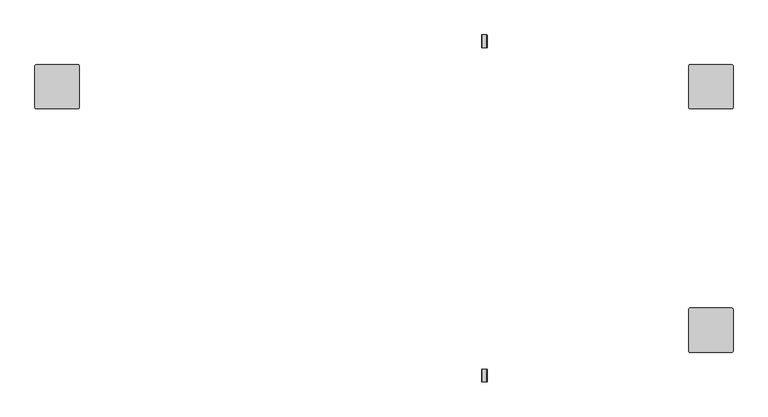
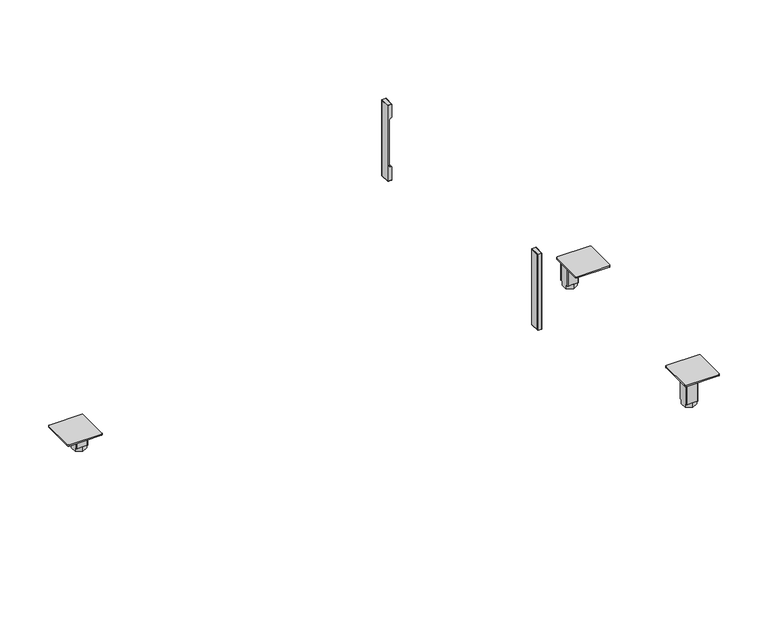
"""IFC4 building model written with IfcOpenShell, lengths in millimetres: furniture geometry."""

from ifc_helpers import new_model, si_unit, frame, origin, place, context, project, spatial, polyline, circle_curve, ellipse_curve, source, transform, mapped, element, save
from ifc_brep_helpers import plane_surface, cylinder_surface, revolved_surface, advanced_brep


def furniture_304ff6c1(model_context):
    return source(origin(), model_context, "Body", "AdvancedBrep", [
        advanced_brep(
        [(783.5915442, -276.4790179, 345.6285549), (783.5915442, -276.4790179, 375.3205426), (783.5915442, -292.3939808, 375.3239533), (783.5915442, -292.3939808, 492.2998056), (783.5915442, -276.4790179, 492.3032163), (783.5915442, -276.4790179, 521.9917933), (783.5915442, -297.9420247, 521.9917933), (783.5915442, -297.9420247, 345.6285549), (774.0665442, -276.4790179, 521.9917933), (774.0665442, -276.4790179, 345.6285549), (774.0665442, -297.9420247, 345.6285549), (774.0665442, -297.9420247, 521.9917933), (782.8807508, -276.4790179, 491.504441), (777.2415721, -276.4790179, 485.1943696), (777.2415721, -276.4790179, 382.4259786), (782.8807508, -276.4790179, 376.1159072), (777.2415721, -292.3939808, 382.4259786), (777.2415721, -292.3939808, 485.1943696), (782.8807508, -292.3939808, 491.504441), (782.8807508, -292.3939808, 376.1159072)],
        [
            (0, 1),
            (1, 2),
            (2, 3),
            (3, 4),
            (4, 5),
            (5, 6),
            (6, 7),
            (7, 0),
            (8, 9),
            (9, 10),
            (10, 11),
            (11, 8),
            (8, 5),
            (4, 12, circle_curve(frame((782.7911566, -276.4790179, 492.2998056), z_axis=(0.0, 1.0, 0.0), x_axis=(1.0, 0.0, 0.0)), 0.8003949)),
            (12, 13, circle_curve(frame((783.5915515, -276.4790179, 485.1943696), z_axis=(0.0, -1.0, 0.0), x_axis=(1.0, 0.0, 0.0)), 6.3499794)),
            (13, 14),
            (14, 15, circle_curve(frame((783.5915515, -276.4790179, 382.4259786), z_axis=(0.0, -1.0, 0.0), x_axis=(1.0, 0.0, 0.0)), 6.3499794)),
            (15, 1, circle_curve(frame((782.7911566, -276.4790179, 375.3205426), z_axis=(0.0, 1.0, 0.0), x_axis=(1.0, 0.0, 0.0)), 0.8003949)),
            (0, 9),
            (7, 10),
            (6, 11),
            (16, 17),
            (17, 18, circle_curve(frame((783.5915515, -292.3939808, 485.1943696), z_axis=(0.0, 1.0, 0.0), x_axis=(1.0, 0.0, 0.0)), 6.3499794)),
            (18, 3, circle_curve(frame((782.7911566, -292.3939808, 492.2998056), z_axis=(0.0, -1.0, 0.0), x_axis=(1.0, 0.0, 0.0)), 0.8003949)),
            (2, 19, circle_curve(frame((782.7911566, -292.3939808, 375.3205426), z_axis=(0.0, -1.0, 0.0), x_axis=(1.0, 0.0, 0.0)), 0.8003949)),
            (19, 16, circle_curve(frame((783.5915515, -292.3939808, 382.4259786), z_axis=(0.0, 1.0, 0.0), x_axis=(1.0, 0.0, 0.0)), 6.3499794)),
            (19, 15),
            (14, 16),
            (18, 12),
            (17, 13),
        ],
        [
            plane_surface(frame((783.5915442, -276.4790179, 237.3601682), z_axis=(1.0, 0.0, 0.0), x_axis=(0.0, 0.0, -1.0))),
            plane_surface(frame((774.0665442, -276.4790179, 237.3601682), z_axis=(-1.0, 0.0, 0.0), x_axis=(0.0, 0.0, 1.0))),
            plane_surface(frame((783.5915442, -276.4790179, 521.9917933), z_axis=(0.0, 1.0, 0.0), x_axis=(-1.0, 0.0, 0.0))),
            plane_surface(frame((783.5915442, -276.4790179, 345.6285549), z_axis=(0.0, 0.0, -1.0), x_axis=(-1.0, 0.0, 0.0))),
            plane_surface(frame((783.5915442, -297.9420247, 345.6285549), z_axis=(0.0, -1.0, 0.0), x_axis=(-1.0, 0.0, 0.0))),
            plane_surface(frame((783.5915442, -297.9420247, 521.9917933), z_axis=(0.0, 0.0, 1.0), x_axis=(-1.0, 0.0, 0.0))),
            plane_surface(frame((778.8290442, -292.3939808, 433.8101741), z_axis=(0.0, 1.0, 0.0), x_axis=(0.0, 0.0, -1.0))),
            revolved_surface(polyline([(789.9415309000001, -276.4790179, 382.4259786), (789.9415309000001, -292.3939808, 382.4259786)]), (783.5915515, -276.4790179, 382.4259786), (0.0, 1.0, 0.0)),
            cylinder_surface(frame((782.7911566, -276.4790179, 375.3205426), z_axis=(0.0, -1.0, 0.0), x_axis=(1.0, 0.0, 0.0)), 0.8003949),
            cylinder_surface(frame((782.7911566, -276.4790179, 492.2998056), z_axis=(0.0, -1.0, 0.0), x_axis=(1.0, 0.0, 0.0)), 0.8003949),
            revolved_surface(polyline([(789.9415309000001, -276.4790179, 485.1943696), (789.9415309000001, -292.3939808, 485.1943696)]), (783.5915515, -276.4790179, 485.1943696), (0.0, 1.0, 0.0)),
            plane_surface(frame((777.2415721, -276.4790179, 485.1943696), z_axis=(1.0, 0.0, 0.0), x_axis=(0.0, -1.0, 0.0))),
        ],
        [
            (0, [[1, 2, 3, 4, 5, 6, 7, 8]]),
            (1, [[9, 10, 11, 12]]),
            (2, [[13, -5, 14, 15, 16, 17, 18, -1, 19, -9]]),
            (3, [[20, -10, -19, -8]]),
            (4, [[21, -11, -20, -7]]),
            (5, [[-13, -12, -21, -6]]),
            (6, [[22, 23, 24, -3, 25, 26]]),
            (7, [[27, -17, 28, -26]]),
            (8, [[-2, -18, -27, -25]]),
            (9, [[29, -14, -4, -24]]),
            (10, [[30, -15, -29, -23]]),
            (11, [[-28, -16, -30, -22]]),
        ],
    ),
        advanced_brep(
        [(783.5915624, -276.4790179, 521.9917933), (774.0717879, -276.4790179, 521.9917933), (774.8338235, -276.4790179, 522.7537744), (782.8295995, -276.4790179, 522.7537744), (782.8295995, -298.7040058, 522.7537744), (783.5915624, -297.9420247, 521.9917933), (774.8338235, -298.7040058, 522.7537744), (774.0717879, -297.9420247, 521.9917933), (782.8295995, -298.7040058, 344.8665738), (783.5915624, -297.9420247, 345.6285549), (774.8338235, -298.7040058, 344.8665738), (774.0717879, -297.9420247, 345.6285549), (783.5915624, -276.4790179, 345.6285549), (782.8295995, -276.4790179, 344.8665738), (774.8338235, -276.4790179, 344.8665738), (774.0717879, -276.4790179, 345.6285549)],
        [
            (0, 1),
            (1, 2, circle_curve(frame((774.8338235, -276.4790179, 521.9917388), z_axis=(0.0, 1.0, 0.0), x_axis=(0.0, 0.0, -1.0)), 0.7620356)),
            (2, 3),
            (3, 0, circle_curve(frame((782.8295995, -276.4790179, 521.9918114), z_axis=(0.0, 1.0, 0.0), x_axis=(0.0, 0.0, -1.0)), 0.7619629)),
            (3, 4),
            (4, 5, ellipse_curve(frame((782.8295995, -297.9420429, 521.9918114), z_axis=(0.0, 0.7071067811865448, 0.7071067811865503), x_axis=(0.0, 0.7071067811865501, -0.7071067811865448)), 1.0775783, 0.7619629)),
            (5, 0),
            (2, 6),
            (6, 4),
            (1, 7),
            (7, 6, ellipse_curve(frame((774.8338235, -297.9419702, 521.9917388), z_axis=(0.0, 0.7071067811865448, 0.7071067811865503), x_axis=(0.0, 0.7071067811865501, -0.7071067811865448)), 1.0776811, 0.7620356)),
            (5, 7),
            (4, 8),
            (8, 9, ellipse_curve(frame((782.8295995, -297.9420429, 345.6285367), z_axis=(0.0, -0.7071067811865503, 0.7071067811865446), x_axis=(0.0, 0.7071067811865446, 0.7071067811865506)), 1.0775783, 0.7619629)),
            (9, 5),
            (6, 10),
            (10, 8),
            (7, 11),
            (11, 10, ellipse_curve(frame((774.8338235, -297.9419702, 345.6286094), z_axis=(0.0, -0.7071067811865503, 0.7071067811865446), x_axis=(0.0, 0.7071067811865446, 0.7071067811865506)), 1.0776811, 0.7620356)),
            (9, 11),
            (12, 13, circle_curve(frame((782.8295995, -276.4790179, 345.6285367), z_axis=(0.0, 1.0, 0.0), x_axis=(0.0, 0.0, 1.0)), 0.7619629)),
            (13, 14),
            (14, 15, circle_curve(frame((774.8338235, -276.4790179, 345.6286094), z_axis=(0.0, 1.0, 0.0), x_axis=(0.0, 0.0, 1.0)), 0.7620356)),
            (15, 12),
            (8, 13),
            (12, 9),
            (10, 14),
            (11, 15),
        ],
        [
            plane_surface(frame((778.8290442, -276.4790179, 522.4561713), z_axis=(0.0, 1.0, 0.0), x_axis=(-1.0, 0.0, 0.0))),
            cylinder_surface(frame((782.8295995, -276.4790179, 521.9918114), z_axis=(0.0, 1.0, 0.0), x_axis=(0.0, 0.0, -1.0)), 0.7619629),
            plane_surface(frame((782.8295995, -276.4790179, 522.7537744), z_axis=(0.0, 0.0, 1.0), x_axis=(0.0, -1.0, 0.0))),
            cylinder_surface(frame((774.8338235, -276.4790179, 521.9917388), z_axis=(0.0, 1.0, 0.0), x_axis=(0.0, 0.0, -1.0)), 0.7620356),
            plane_surface(frame((774.0717879, -276.4790179, 521.9917933), z_axis=(0.0, 0.0, -1.0), x_axis=(0.0, -1.0, 0.0))),
            cylinder_surface(frame((782.8295995, -297.9420429, 522.4561713), z_axis=(0.0, 0.0, 1.0), x_axis=(0.0, 1.0, 0.0)), 0.7619629),
            plane_surface(frame((782.8295995, -298.7040058, 522.7537744), z_axis=(0.0, -1.0, 0.0), x_axis=(0.0, 0.0, -1.0))),
            cylinder_surface(frame((774.8338235, -297.9419702, 522.4561713), z_axis=(0.0, 0.0, 1.0), x_axis=(0.0, 1.0, 0.0)), 0.7620356),
            plane_surface(frame((774.0717879, -297.9420247, 521.9917933), z_axis=(0.0, 1.0, 0.0), x_axis=(0.0, 0.0, -1.0))),
            plane_surface(frame((778.8290442, -276.4790179, 345.1641769), z_axis=(0.0, 1.0, 0.0), x_axis=(-1.0, 0.0, 0.0))),
            cylinder_surface(frame((782.8295995, -298.4064027, 345.6285367), z_axis=(0.0, -1.0, 0.0), x_axis=(0.0, 0.0, 1.0)), 0.7619629),
            plane_surface(frame((782.8295995, -298.7040058, 344.8665738), z_axis=(0.0, 0.0, -1.0), x_axis=(0.0, 1.0, 0.0))),
            cylinder_surface(frame((774.8338235, -298.4064027, 345.6286094), z_axis=(0.0, -1.0, 0.0), x_axis=(0.0, 0.0, 1.0)), 0.7620356),
            plane_surface(frame((774.0717879, -297.9420247, 345.6285549), z_axis=(0.0, 0.0, 1.0), x_axis=(0.0, 1.0, 0.0))),
        ],
        [
            (0, [[1, 2, 3, 4]]),
            (1, [[5, 6, 7, -4]]),
            (2, [[8, 9, -5, -3]]),
            (3, [[10, 11, -8, -2]]),
            (4, [[-7, 12, -10, -1]]),
            (5, [[13, 14, 15, -6]]),
            (6, [[16, 17, -13, -9]]),
            (7, [[18, 19, -16, -11]]),
            (8, [[-15, 20, -18, -12]]),
            (9, [[21, 22, 23, 24]]),
            (10, [[25, -21, 26, -14]]),
            (11, [[27, -22, -25, -17]]),
            (12, [[28, -23, -27, -19]]),
            (13, [[-26, -24, -28, -20]]),
        ],
    ),
        advanced_brep(
        [(783.5915442, 276.4790179, 345.6285549), (783.5915442, 297.9420247, 345.6285549), (783.5915442, 297.9420247, 521.9917933), (783.5915442, 276.4790179, 521.9917933), (783.5915442, 276.4790179, 492.2963949), (783.5915442, 292.3939808, 492.3032163), (783.5915442, 292.3939808, 375.3205426), (783.5915442, 276.4790179, 375.3239533), (774.0665442, 276.4790179, 521.9917933), (774.0665442, 297.9420247, 521.9917933), (774.0665442, 297.9420247, 345.6285549), (774.0665442, 276.4790179, 345.6285549), (782.8807508, 276.4790179, 376.1159072), (777.2415721, 276.4790179, 382.4259786), (777.2415721, 276.4790179, 485.1943696), (782.8807508, 276.4790179, 491.504441), (777.2415721, 292.3939808, 382.4259786), (782.8807508, 292.3939808, 376.1159072), (782.8807508, 292.3939808, 491.504441), (777.2415721, 292.3939808, 485.1943696)],
        [
            (0, 1),
            (1, 2),
            (2, 3),
            (3, 4),
            (4, 5),
            (5, 6),
            (6, 7),
            (7, 0),
            (8, 9),
            (9, 10),
            (10, 11),
            (11, 8),
            (11, 0),
            (7, 12, circle_curve(frame((782.7911566, 276.4790179, 375.3205426), z_axis=(0.0, -1.0, 0.0), x_axis=(1.0, 0.0, 0.0)), 0.8003949)),
            (12, 13, circle_curve(frame((783.5915515, 276.4790179, 382.4259786), z_axis=(0.0, 1.0, 0.0), x_axis=(1.0, 0.0, 0.0)), 6.3499794)),
            (13, 14),
            (14, 15, circle_curve(frame((783.5915515, 276.4790179, 485.1943696), z_axis=(0.0, 1.0, 0.0), x_axis=(1.0, 0.0, 0.0)), 6.3499794)),
            (15, 4, circle_curve(frame((782.7911566, 276.4790179, 492.2998056), z_axis=(0.0, -1.0, 0.0), x_axis=(1.0, 0.0, 0.0)), 0.8003949)),
            (3, 8),
            (10, 1),
            (9, 2),
            (16, 17, circle_curve(frame((783.5915515, 292.3939808, 382.4259786), z_axis=(0.0, -1.0, 0.0), x_axis=(1.0, 0.0, 0.0)), 6.3499794)),
            (17, 6, circle_curve(frame((782.7911566, 292.3939808, 375.3205426), z_axis=(0.0, 1.0, 0.0), x_axis=(1.0, 0.0, 0.0)), 0.8003949)),
            (5, 18, circle_curve(frame((782.7911566, 292.3939808, 492.2998056), z_axis=(0.0, 1.0, 0.0), x_axis=(1.0, 0.0, 0.0)), 0.8003949)),
            (18, 19, circle_curve(frame((783.5915515, 292.3939808, 485.1943696), z_axis=(0.0, -1.0, 0.0), x_axis=(1.0, 0.0, 0.0)), 6.3499794)),
            (19, 16),
            (16, 13),
            (12, 17),
            (15, 18),
            (14, 19),
        ],
        [
            plane_surface(frame((783.5915442, 276.4790179, 237.3601682), z_axis=(1.0, 0.0, 0.0), x_axis=(0.0, 0.0, -1.0))),
            plane_surface(frame((774.0665442, 276.4790179, 237.3601682), z_axis=(-1.0, 0.0, 0.0), x_axis=(0.0, 0.0, 1.0))),
            plane_surface(frame((783.5915442, 276.4790179, 521.9917933), z_axis=(0.0, -1.0, 0.0), x_axis=(-1.0, 0.0, 0.0))),
            plane_surface(frame((783.5915442, 276.4790179, 345.6285549), z_axis=(0.0, 0.0, -1.0), x_axis=(-1.0, 0.0, 0.0))),
            plane_surface(frame((783.5915442, 297.9420247, 345.6285549), z_axis=(0.0, 1.0, 0.0), x_axis=(-1.0, 0.0, 0.0))),
            plane_surface(frame((783.5915442, 297.9420247, 521.9917933), z_axis=(0.0, 0.0, 1.0), x_axis=(-1.0, 0.0, 0.0))),
            plane_surface(frame((778.8290442, 292.3939808, 433.8101741), z_axis=(0.0, -1.0, 0.0), x_axis=(0.0, 0.0, -1.0))),
            revolved_surface(polyline([(789.9415309000001, 276.4790179, 382.4259786), (789.9415309000001, 292.3939808, 382.4259786)]), (783.5915515, 276.4790179, 382.4259786), (0.0, -1.0, 0.0)),
            cylinder_surface(frame((782.7911566, 276.4790179, 375.3205426), z_axis=(0.0, 1.0, 0.0), x_axis=(1.0, 0.0, 0.0)), 0.8003949),
            cylinder_surface(frame((782.7911566, 276.4790179, 492.2998056), z_axis=(0.0, 1.0, 0.0), x_axis=(1.0, 0.0, 0.0)), 0.8003949),
            revolved_surface(polyline([(789.9415309000001, 276.4790179, 485.1943696), (789.9415309000001, 292.3939808, 485.1943696)]), (783.5915515, 276.4790179, 485.1943696), (0.0, -1.0, 0.0)),
            plane_surface(frame((777.2415721, 276.4790179, 485.1943696), z_axis=(1.0, 0.0, 0.0), x_axis=(0.0, 1.0, 0.0))),
        ],
        [
            (0, [[1, 2, 3, 4, 5, 6, 7, 8]]),
            (1, [[9, 10, 11, 12]]),
            (2, [[-12, 13, -8, 14, 15, 16, 17, 18, -4, 19]]),
            (3, [[-1, -13, -11, 20]]),
            (4, [[-2, -20, -10, 21]]),
            (5, [[-3, -21, -9, -19]]),
            (6, [[22, 23, -6, 24, 25, 26]]),
            (7, [[-22, 27, -15, 28]]),
            (8, [[-23, -28, -14, -7]]),
            (9, [[-24, -5, -18, 29]]),
            (10, [[-25, -29, -17, 30]]),
            (11, [[-26, -30, -16, -27]]),
        ],
    ),
        advanced_brep(
        [(783.5915624, 276.4790179, 521.9917933), (782.8295995, 276.4790179, 522.7537744), (774.8338235, 276.4790179, 522.7537744), (774.0717879, 276.4790179, 521.9917933), (783.5915624, 297.9420247, 521.9917933), (782.8295995, 298.7040058, 522.7537744), (774.8338235, 298.7040058, 522.7537744), (774.0717879, 297.9420247, 521.9917933), (783.5915624, 297.9420247, 345.6285549), (782.8295995, 298.7040058, 344.8665738), (774.8338235, 298.7040058, 344.8665738), (774.0717879, 297.9420247, 345.6285549), (783.5915624, 276.4790179, 345.6285549), (774.0717879, 276.4790179, 345.6285549), (774.8338235, 276.4790179, 344.8665738), (782.8295995, 276.4790179, 344.8665738)],
        [
            (0, 1, circle_curve(frame((782.8295995, 276.4790179, 521.9918114), z_axis=(0.0, -1.0, 0.0), x_axis=(0.0, 0.0, -1.0)), 0.7619629)),
            (1, 2),
            (2, 3, circle_curve(frame((774.8338235, 276.4790179, 521.9917388), z_axis=(0.0, -1.0, 0.0), x_axis=(0.0, 0.0, -1.0)), 0.7620356)),
            (3, 0),
            (0, 4),
            (4, 5, ellipse_curve(frame((782.8295995, 297.9420429, 521.9918114), z_axis=(0.0, -0.7071067811865448, 0.7071067811865503), x_axis=(0.0, -0.7071067811865501, -0.7071067811865448)), 1.0775783, 0.7619629)),
            (5, 1),
            (5, 6),
            (6, 2),
            (6, 7, ellipse_curve(frame((774.8338235, 297.9419702, 521.9917388), z_axis=(0.0, -0.7071067811865448, 0.7071067811865503), x_axis=(0.0, -0.7071067811865501, -0.7071067811865448)), 1.0776811, 0.7620356)),
            (7, 3),
            (7, 4),
            (4, 8),
            (8, 9, ellipse_curve(frame((782.8295995, 297.9420429, 345.6285367), z_axis=(0.0, 0.7071067811865503, 0.7071067811865446), x_axis=(0.0, -0.7071067811865446, 0.7071067811865506)), 1.0775783, 0.7619629)),
            (9, 5),
            (9, 10),
            (10, 6),
            (10, 11, ellipse_curve(frame((774.8338235, 297.9419702, 345.6286094), z_axis=(0.0, 0.7071067811865503, 0.7071067811865446), x_axis=(0.0, -0.7071067811865446, 0.7071067811865506)), 1.0776811, 0.7620356)),
            (11, 7),
            (11, 8),
            (12, 13),
            (13, 14, circle_curve(frame((774.8338235, 276.4790179, 345.6286094), z_axis=(0.0, -1.0, 0.0), x_axis=(0.0, 0.0, 1.0)), 0.7620356)),
            (14, 15),
            (15, 12, circle_curve(frame((782.8295995, 276.4790179, 345.6285367), z_axis=(0.0, -1.0, 0.0), x_axis=(0.0, 0.0, 1.0)), 0.7619629)),
            (8, 12),
            (15, 9),
            (14, 10),
            (13, 11),
        ],
        [
            plane_surface(frame((778.8290442, 276.4790179, 522.4561713), z_axis=(0.0, -1.0, 0.0), x_axis=(-1.0, 0.0, 0.0))),
            cylinder_surface(frame((782.8295995, 276.4790179, 521.9918114), z_axis=(0.0, -1.0, 0.0), x_axis=(0.0, 0.0, -1.0)), 0.7619629),
            plane_surface(frame((782.8295995, 276.4790179, 522.7537744), z_axis=(0.0, 0.0, 1.0), x_axis=(0.0, 1.0, 0.0))),
            cylinder_surface(frame((774.8338235, 276.4790179, 521.9917388), z_axis=(0.0, -1.0, 0.0), x_axis=(0.0, 0.0, -1.0)), 0.7620356),
            plane_surface(frame((774.0717879, 276.4790179, 521.9917933), z_axis=(0.0, 0.0, -1.0), x_axis=(0.0, 1.0, 0.0))),
            cylinder_surface(frame((782.8295995, 297.9420429, 522.4561713), z_axis=(0.0, 0.0, 1.0), x_axis=(0.0, -1.0, 0.0)), 0.7619629),
            plane_surface(frame((782.8295995, 298.7040058, 522.7537744), z_axis=(0.0, 1.0, 0.0), x_axis=(0.0, 0.0, -1.0))),
            cylinder_surface(frame((774.8338235, 297.9419702, 522.4561713), z_axis=(0.0, 0.0, 1.0), x_axis=(0.0, -1.0, 0.0)), 0.7620356),
            plane_surface(frame((774.0717879, 297.9420247, 521.9917933), z_axis=(0.0, -1.0, 0.0), x_axis=(0.0, 0.0, -1.0))),
            plane_surface(frame((778.8290442, 276.4790179, 345.1641769), z_axis=(0.0, -1.0, 0.0), x_axis=(-1.0, 0.0, 0.0))),
            cylinder_surface(frame((782.8295995, 298.4064027, 345.6285367), z_axis=(0.0, 1.0, 0.0), x_axis=(0.0, 0.0, 1.0)), 0.7619629),
            plane_surface(frame((782.8295995, 298.7040058, 344.8665738), z_axis=(0.0, 0.0, -1.0), x_axis=(0.0, -1.0, 0.0))),
            cylinder_surface(frame((774.8338235, 298.4064027, 345.6286094), z_axis=(0.0, 1.0, 0.0), x_axis=(0.0, 0.0, 1.0)), 0.7620356),
            plane_surface(frame((774.0717879, 297.9420247, 345.6285549), z_axis=(0.0, 0.0, 1.0), x_axis=(0.0, -1.0, 0.0))),
        ],
        [
            (0, [[1, 2, 3, 4]]),
            (1, [[-1, 5, 6, 7]]),
            (2, [[-2, -7, 8, 9]]),
            (3, [[-3, -9, 10, 11]]),
            (4, [[-4, -11, 12, -5]]),
            (5, [[-6, 13, 14, 15]]),
            (6, [[-8, -15, 16, 17]]),
            (7, [[-10, -17, 18, 19]]),
            (8, [[-12, -19, 20, -13]]),
            (9, [[21, 22, 23, 24]]),
            (10, [[-14, 25, -24, 26]]),
            (11, [[-16, -26, -23, 27]]),
            (12, [[-18, -27, -22, 28]]),
            (13, [[-20, -28, -21, -25]]),
        ],
    ),
        advanced_brep(
        [(1203.9637496, 247.6704748, 57.2209895), (1206.50375, 245.1304744, 57.2209895), (1206.50375, 174.0104723, 57.2209895), (1203.9637525, 171.4704748, 57.2209895), (1132.8437516, 171.4704748, 57.2209895), (1130.303754, 174.0104723, 57.2209895), (1130.303754, 245.1304772, 57.2209895), (1132.8437516, 247.6704748, 57.2209895), (1160.275751, 241.3204808, 57.2209895), (1138.431748, 241.3204808, 57.2209895), (1136.653748, 239.5424808, 57.2209895), (1136.653748, 217.6984687, 57.2209895), (1138.431748, 215.9204687, 57.2209895), (1160.275751, 215.9204687, 57.2209895), (1162.053751, 217.6984687, 57.2209895), (1162.053751, 239.5424808, 57.2209895), (1203.9637496, 247.6704748, 60.2689911), (1132.8437516, 247.6704748, 60.2689911), (1130.303754, 245.1304772, 60.2689911), (1130.303754, 174.0104723, 60.2689911), (1132.8437516, 171.4704748, 60.2689911), (1203.9637525, 171.4704748, 60.2689911), (1206.50375, 174.0104723, 60.2689911), (1206.50375, 245.1304744, 60.2689911), (1160.275751, 241.3204808, 9.146411), (1162.053751, 239.5424808, 9.146411), (1162.053751, 235.952819, 9.146411), (1152.756688, 241.3204808, 9.146411), (1162.053751, 217.6984687, 9.146411), (1160.275751, 215.9204687, 9.146411), (1152.756688, 215.9204687, 9.146411), (1162.053751, 221.2881305, 9.146411), (1138.431748, 215.9204687, 9.146411), (1136.653748, 217.6984687, 9.146411), (1136.653748, 221.2881305, 9.146411), (1145.9508109, 215.9204687, 9.146411), (1136.653748, 239.5424808, 9.146411), (1138.431748, 241.3204808, 9.146411), (1145.9508109, 241.3204808, 9.146411), (1136.653748, 235.952819, 9.146411), (1136.653748, 235.9528215, 0.0), (1136.653748, 221.288128, 0.0), (1162.053751, 221.288128, 0.0), (1162.053751, 235.9528215, 0.0), (1149.3537495, 213.9557812, 9.146411), (1149.3537495, 243.2851683, 9.146411), (1149.3537495, 213.9557812, 0.0), (1149.3537495, 243.2851683, 0.0)],
        [
            (0, 1, circle_curve(frame((1203.9637496, 245.1304744, 57.2209895), z_axis=(0.0, 0.0, -1.0), x_axis=(-1.0, 0.0, 0.0)), 2.5400004)),
            (1, 2),
            (2, 3, circle_curve(frame((1203.9637525, 174.0104723, 57.2209895), z_axis=(0.0, 0.0, -1.0), x_axis=(-1.0, 0.0, 0.0)), 2.5399976)),
            (3, 4),
            (4, 5, circle_curve(frame((1132.8437516, 174.0104723, 57.2209895), z_axis=(0.0, 0.0, -1.0), x_axis=(-1.0, 0.0, 0.0)), 2.5399976)),
            (5, 6),
            (6, 7, circle_curve(frame((1132.8437516, 245.1304772, 57.2209895), z_axis=(0.0, 0.0, -1.0), x_axis=(-1.0, 0.0, 0.0)), 2.5399976)),
            (7, 0),
            (8, 9),
            (9, 10, circle_curve(frame((1138.431748, 239.5424808, 57.2209895), z_axis=(0.0, 0.0, 1.0), x_axis=(-1.0, 0.0, 0.0)), 1.778)),
            (10, 11),
            (11, 12, circle_curve(frame((1138.431748, 217.6984687, 57.2209895), z_axis=(0.0, 0.0, 1.0), x_axis=(-1.0, 0.0, 0.0)), 1.778)),
            (12, 13),
            (13, 14, circle_curve(frame((1160.275751, 217.6984687, 57.2209895), z_axis=(0.0, 0.0, 1.0), x_axis=(-1.0, 0.0, 0.0)), 1.778)),
            (14, 15),
            (15, 8, circle_curve(frame((1160.275751, 239.5424808, 57.2209895), z_axis=(0.0, 0.0, 1.0), x_axis=(-1.0, 0.0, 0.0)), 1.778)),
            (16, 17),
            (17, 18, circle_curve(frame((1132.8437516, 245.1304772, 60.2689911), z_axis=(0.0, 0.0, 1.0), x_axis=(-1.0, 0.0, 0.0)), 2.5399976)),
            (18, 19),
            (19, 20, circle_curve(frame((1132.8437516, 174.0104723, 60.2689911), z_axis=(0.0, 0.0, 1.0), x_axis=(-1.0, 0.0, 0.0)), 2.5399976)),
            (20, 21),
            (21, 22, circle_curve(frame((1203.9637525, 174.0104723, 60.2689911), z_axis=(0.0, 0.0, 1.0), x_axis=(-1.0, 0.0, 0.0)), 2.5399976)),
            (22, 23),
            (23, 16, circle_curve(frame((1203.9637496, 245.1304744, 60.2689911), z_axis=(0.0, 0.0, 1.0), x_axis=(-1.0, 0.0, 0.0)), 2.5400004)),
            (7, 17),
            (16, 0),
            (6, 18),
            (5, 19),
            (4, 20),
            (3, 21),
            (2, 22),
            (1, 23),
            (24, 25, circle_curve(frame((1160.275751, 239.5424808, 9.146411), z_axis=(0.0, 0.0, -1.0), x_axis=(-1.0, 0.0, 0.0)), 1.778)),
            (25, 26),
            (26, 27),
            (27, 24),
            (28, 29, circle_curve(frame((1160.275751, 217.6984687, 9.146411), z_axis=(0.0, 0.0, -1.0), x_axis=(-1.0, 0.0, 0.0)), 1.778)),
            (29, 30),
            (30, 31),
            (31, 28),
            (32, 33, circle_curve(frame((1138.431748, 217.6984687, 9.146411), z_axis=(0.0, 0.0, -1.0), x_axis=(-1.0, 0.0, 0.0)), 1.778)),
            (33, 34),
            (34, 35),
            (35, 32),
            (36, 37, circle_curve(frame((1138.431748, 239.5424808, 9.146411), z_axis=(0.0, 0.0, -1.0), x_axis=(-1.0, 0.0, 0.0)), 1.778)),
            (37, 38),
            (38, 39),
            (39, 36),
            (8, 24),
            (27, 38),
            (37, 9),
            (36, 10),
            (39, 40),
            (40, 41),
            (41, 34),
            (33, 11),
            (32, 12),
            (35, 30),
            (29, 13),
            (28, 14),
            (31, 42),
            (42, 43),
            (43, 26),
            (25, 15),
            (35, 44),
            (44, 30),
            (27, 45),
            (45, 38),
            (42, 46),
            (46, 41),
            (40, 47),
            (47, 43),
            (47, 45),
            (46, 44),
        ],
        [
            plane_surface(frame((1132.8437516, 247.6704748, 57.2209895), z_axis=(0.0, 0.0, -1.0), x_axis=(1.0, 0.0, 0.0))),
            plane_surface(frame((1132.8437516, 247.6704748, 60.2689911), z_axis=(0.0, 0.0, 1.0), x_axis=(-1.0, 0.0, 0.0))),
            plane_surface(frame((1203.9637496, 247.6704748, 60.2689911), z_axis=(0.0, 1.0, 0.0), x_axis=(0.0, 0.0, -1.0))),
            cylinder_surface(frame((1132.8437516, 245.1304772, 57.2209895), z_axis=(0.0, 0.0, 1.0), x_axis=(-1.0, 0.0, 0.0)), 2.5399976),
            plane_surface(frame((1130.303754, 245.1304772, 60.2689911), z_axis=(-1.0, 0.0, 0.0), x_axis=(0.0, 0.0, -1.0))),
            cylinder_surface(frame((1132.8437516, 174.0104723, 57.2209895), z_axis=(0.0, 0.0, 1.0), x_axis=(-1.0, 0.0, 0.0)), 2.5399976),
            plane_surface(frame((1132.8437516, 171.4704748, 60.2689911), z_axis=(0.0, -1.0, 0.0), x_axis=(0.0, 0.0, -1.0))),
            cylinder_surface(frame((1203.9637525, 174.0104723, 57.2209895), z_axis=(0.0, 0.0, 1.0), x_axis=(-1.0, 0.0, 0.0)), 2.5399976),
            plane_surface(frame((1206.50375, 174.0104723, 60.2689911), z_axis=(1.0, 0.0, 0.0), x_axis=(0.0, 0.0, -1.0))),
            cylinder_surface(frame((1203.9637496, 245.1304744, 57.2209895), z_axis=(0.0, 0.0, 1.0), x_axis=(-1.0, 0.0, 0.0)), 2.5400004),
            plane_surface(frame((1138.3047509, 241.3204808, 9.146411), z_axis=(0.0, 0.0, -1.0), x_axis=(1.0, 0.0, 0.0))),
            plane_surface(frame((1160.275751, 241.3204808, 57.2209895), z_axis=(0.0, 1.0, 0.0), x_axis=(0.0, 0.0, -1.0))),
            cylinder_surface(frame((1138.431748, 239.5424808, 9.146411), z_axis=(0.0, 0.0, 1.0), x_axis=(-1.0, 0.0, 0.0)), 1.778),
            plane_surface(frame((1136.653748, 239.5424808, 57.2209895), z_axis=(-1.0, 0.0, 0.0), x_axis=(0.0, 0.0, -1.0))),
            cylinder_surface(frame((1138.431748, 217.6984687, 9.146411), z_axis=(0.0, 0.0, 1.0), x_axis=(-1.0, 0.0, 0.0)), 1.778),
            plane_surface(frame((1138.431748, 215.9204687, 57.2209895), z_axis=(0.0, -1.0, 0.0), x_axis=(0.0, 0.0, -1.0))),
            cylinder_surface(frame((1160.275751, 217.6984687, 9.146411), z_axis=(0.0, 0.0, 1.0), x_axis=(-1.0, 0.0, 0.0)), 1.778),
            plane_surface(frame((1162.053751, 217.6984687, 57.2209895), z_axis=(1.0, 0.0, 0.0), x_axis=(0.0, 0.0, -1.0))),
            cylinder_surface(frame((1160.275751, 239.5424808, 9.146411), z_axis=(0.0, 0.0, 1.0), x_axis=(-1.0, 0.0, 0.0)), 1.778),
            plane_surface(frame((1162.0537466, 221.288128, 9.146411), z_axis=(0.0, 0.0, 1.0), x_axis=(0.0, 1.0, 0.0))),
            plane_surface(frame((1162.0537466, 221.288128, 0.0), z_axis=(0.0, 0.0, -1.0), x_axis=(0.0, -1.0, 0.0))),
            plane_surface(frame((1162.0537466, 235.9528215, 9.146411), z_axis=(0.5000000000000034, 0.8660254037844367, 0.0), x_axis=(0.0, 0.0, -1.0))),
            plane_surface(frame((1149.3537495, 243.2851683, 9.146411), z_axis=(-0.4999999999999956, 0.8660254037844412, 0.0), x_axis=(0.0, 0.0, -1.0))),
            plane_surface(frame((1136.6537523, 221.288128, 9.146411), z_axis=(-0.5000000000000064, -0.866025403784435, 0.0), x_axis=(0.0, 0.0, -1.0))),
            plane_surface(frame((1149.3537495, 213.9557812, 9.146411), z_axis=(0.49999999999999795, -0.8660254037844399, 0.0), x_axis=(0.0, 0.0, -1.0))),
        ],
        [
            (0, [[1, 2, 3, 4, 5, 6, 7, 8], [9, 10, 11, 12, 13, 14, 15, 16]]),
            (1, [[17, 18, 19, 20, 21, 22, 23, 24]]),
            (2, [[-8, 25, -17, 26]]),
            (3, [[-7, 27, -18, -25]]),
            (4, [[-6, 28, -19, -27]]),
            (5, [[-5, 29, -20, -28]]),
            (6, [[-4, 30, -21, -29]]),
            (7, [[-3, 31, -22, -30]]),
            (8, [[-2, 32, -23, -31]]),
            (9, [[-1, -26, -24, -32]]),
            (10, [[33, 34, 35, 36]]),
            (10, [[37, 38, 39, 40]]),
            (10, [[41, 42, 43, 44]]),
            (10, [[45, 46, 47, 48]]),
            (11, [[49, -36, 50, -46, 51, -9]]),
            (12, [[-45, 52, -10, -51]]),
            (13, [[-52, -48, 53, 54, 55, -42, 56, -11]]),
            (14, [[-41, 57, -12, -56]]),
            (15, [[-57, -44, 58, -38, 59, -13]]),
            (16, [[-37, 60, -14, -59]]),
            (17, [[-60, -40, 61, 62, 63, -34, 64, -15]]),
            (18, [[-33, -49, -16, -64]]),
            (19, [[65, 66, -58]]),
            (19, [[67, 68, -50]]),
            (20, [[69, 70, -54, 71, 72, -62]]),
            (21, [[-72, 73, -67, -35, -63]]),
            (22, [[-71, -53, -47, -68, -73]]),
            (23, [[-70, 74, -65, -43, -55]]),
            (24, [[-69, -61, -39, -66, -74]]),
        ],
    ),
        advanced_brep(
        [(8.8875003, 247.6704748, 57.2209895), (80.0074983, 247.6704748, 57.2209895), (82.5474959, 245.1304772, 57.2209895), (82.5474959, 174.0104723, 57.2209895), (80.0074983, 171.4704748, 57.2209895), (8.8874975, 171.4704748, 57.2209895), (6.3474999, 174.0104723, 57.2209895), (6.3474999, 245.1304744, 57.2209895), (52.5754989, 241.3204808, 57.2209895), (50.7974989, 239.5424808, 57.2209895), (50.7974989, 217.6984687, 57.2209895), (52.5754989, 215.9204687, 57.2209895), (74.419502, 215.9204687, 57.2209895), (76.197502, 217.6984687, 57.2209895), (76.197502, 239.5424808, 57.2209895), (74.419502, 241.3204808, 57.2209895), (8.8875003, 247.6704748, 60.2689911), (6.3474999, 245.1304744, 60.2689911), (6.3474999, 174.0104723, 60.2689911), (8.8874975, 171.4704748, 60.2689911), (80.0074983, 171.4704748, 60.2689911), (82.5474959, 174.0104723, 60.2689911), (82.5474959, 245.1304772, 60.2689911), (80.0074983, 247.6704748, 60.2689911), (52.5754989, 241.3204808, 9.146411), (60.0945619, 241.3204808, 9.146411), (50.7974989, 235.952819, 9.146411), (50.7974989, 239.5424808, 9.146411), (50.7974989, 217.6984687, 9.146411), (50.7974989, 221.2881305, 9.146411), (60.0945619, 215.9204687, 9.146411), (52.5754989, 215.9204687, 9.146411), (74.419502, 215.9204687, 9.146411), (66.900439, 215.9204687, 9.146411), (76.197502, 221.2881305, 9.146411), (76.197502, 217.6984687, 9.146411), (76.197502, 239.5424808, 9.146411), (76.197502, 235.952819, 9.146411), (66.900439, 241.3204808, 9.146411), (74.419502, 241.3204808, 9.146411), (76.197502, 221.288128, 0.0), (76.197502, 235.9528215, 0.0), (50.7974989, 235.9528215, 0.0), (50.7974989, 221.288128, 0.0), (63.4975005, 243.2851683, 9.146411), (63.4975005, 213.9557812, 9.146411), (63.4975005, 243.2851683, 0.0), (63.4975005, 213.9557812, 0.0)],
        [
            (0, 1),
            (1, 2, circle_curve(frame((80.0074983, 245.1304772, 57.2209895), z_axis=(0.0, 0.0, -1.0), x_axis=(1.0, 0.0, 0.0)), 2.5399976)),
            (2, 3),
            (3, 4, circle_curve(frame((80.0074983, 174.0104723, 57.2209895), z_axis=(0.0, 0.0, -1.0), x_axis=(1.0, 0.0, 0.0)), 2.5399976)),
            (4, 5),
            (5, 6, circle_curve(frame((8.8874975, 174.0104723, 57.2209895), z_axis=(0.0, 0.0, -1.0), x_axis=(1.0, 0.0, 0.0)), 2.5399976)),
            (6, 7),
            (7, 0, circle_curve(frame((8.8875003, 245.1304744, 57.2209895), z_axis=(0.0, 0.0, -1.0), x_axis=(1.0, 0.0, 0.0)), 2.5400004)),
            (8, 9, circle_curve(frame((52.5754989, 239.5424808, 57.2209895), z_axis=(0.0, 0.0, 1.0), x_axis=(1.0, 0.0, 0.0)), 1.778)),
            (9, 10),
            (10, 11, circle_curve(frame((52.5754989, 217.6984687, 57.2209895), z_axis=(0.0, 0.0, 1.0), x_axis=(1.0, 0.0, 0.0)), 1.778)),
            (11, 12),
            (12, 13, circle_curve(frame((74.419502, 217.6984687, 57.2209895), z_axis=(0.0, 0.0, 1.0), x_axis=(1.0, 0.0, 0.0)), 1.778)),
            (13, 14),
            (14, 15, circle_curve(frame((74.419502, 239.5424808, 57.2209895), z_axis=(0.0, 0.0, 1.0), x_axis=(1.0, 0.0, 0.0)), 1.778)),
            (15, 8),
            (16, 17, circle_curve(frame((8.8875003, 245.1304744, 60.2689911), z_axis=(0.0, 0.0, 1.0), x_axis=(1.0, 0.0, 0.0)), 2.5400004)),
            (17, 18),
            (18, 19, circle_curve(frame((8.8874975, 174.0104723, 60.2689911), z_axis=(0.0, 0.0, 1.0), x_axis=(1.0, 0.0, 0.0)), 2.5399976)),
            (19, 20),
            (20, 21, circle_curve(frame((80.0074983, 174.0104723, 60.2689911), z_axis=(0.0, 0.0, 1.0), x_axis=(1.0, 0.0, 0.0)), 2.5399976)),
            (21, 22),
            (22, 23, circle_curve(frame((80.0074983, 245.1304772, 60.2689911), z_axis=(0.0, 0.0, 1.0), x_axis=(1.0, 0.0, 0.0)), 2.5399976)),
            (23, 16),
            (0, 16),
            (23, 1),
            (22, 2),
            (21, 3),
            (20, 4),
            (19, 5),
            (18, 6),
            (17, 7),
            (24, 25),
            (25, 26),
            (26, 27),
            (27, 24, circle_curve(frame((52.5754989, 239.5424808, 9.146411), z_axis=(0.0, 0.0, -1.0), x_axis=(1.0, 0.0, 0.0)), 1.778)),
            (28, 29),
            (29, 30),
            (30, 31),
            (31, 28, circle_curve(frame((52.5754989, 217.6984687, 9.146411), z_axis=(0.0, 0.0, -1.0), x_axis=(1.0, 0.0, 0.0)), 1.778)),
            (32, 33),
            (33, 34),
            (34, 35),
            (35, 32, circle_curve(frame((74.419502, 217.6984687, 9.146411), z_axis=(0.0, 0.0, -1.0), x_axis=(1.0, 0.0, 0.0)), 1.778)),
            (36, 37),
            (37, 38),
            (38, 39),
            (39, 36, circle_curve(frame((74.419502, 239.5424808, 9.146411), z_axis=(0.0, 0.0, -1.0), x_axis=(1.0, 0.0, 0.0)), 1.778)),
            (15, 39),
            (38, 25),
            (24, 8),
            (14, 36),
            (13, 35),
            (34, 40),
            (40, 41),
            (41, 37),
            (12, 32),
            (11, 31),
            (30, 33),
            (10, 28),
            (9, 27),
            (26, 42),
            (42, 43),
            (43, 29),
            (38, 44),
            (44, 25),
            (30, 45),
            (45, 33),
            (42, 46),
            (46, 41),
            (40, 47),
            (47, 43),
            (44, 46),
            (45, 47),
        ],
        [
            plane_surface(frame((80.0074983, 247.6704748, 57.2209895), z_axis=(0.0, 0.0, -1.0), x_axis=(-1.0, 0.0, 0.0))),
            plane_surface(frame((80.0074983, 247.6704748, 60.2689911), z_axis=(0.0, 0.0, 1.0), x_axis=(1.0, 0.0, 0.0))),
            plane_surface(frame((8.8875003, 247.6704748, 60.2689911), z_axis=(0.0, 1.0, 0.0), x_axis=(0.0, 0.0, -1.0))),
            cylinder_surface(frame((80.0074983, 245.1304772, 57.2209895), z_axis=(0.0, 0.0, 1.0), x_axis=(1.0, 0.0, 0.0)), 2.5399976),
            plane_surface(frame((82.5474959, 245.1304772, 60.2689911), z_axis=(1.0, 0.0, 0.0), x_axis=(0.0, 0.0, -1.0))),
            cylinder_surface(frame((80.0074983, 174.0104723, 57.2209895), z_axis=(0.0, 0.0, 1.0), x_axis=(1.0, 0.0, 0.0)), 2.5399976),
            plane_surface(frame((80.0074983, 171.4704748, 60.2689911), z_axis=(0.0, -1.0, 0.0), x_axis=(0.0, 0.0, -1.0))),
            cylinder_surface(frame((8.8874975, 174.0104723, 57.2209895), z_axis=(0.0, 0.0, 1.0), x_axis=(1.0, 0.0, 0.0)), 2.5399976),
            plane_surface(frame((6.3474999, 174.0104723, 60.2689911), z_axis=(-1.0, 0.0, 0.0), x_axis=(0.0, 0.0, -1.0))),
            cylinder_surface(frame((8.8875003, 245.1304744, 57.2209895), z_axis=(0.0, 0.0, 1.0), x_axis=(1.0, 0.0, 0.0)), 2.5400004),
            plane_surface(frame((74.546499, 241.3204808, 9.146411), z_axis=(0.0, 0.0, -1.0), x_axis=(-1.0, 0.0, 0.0))),
            plane_surface(frame((52.5754989, 241.3204808, 57.2209895), z_axis=(0.0, 1.0, 0.0), x_axis=(0.0, 0.0, -1.0))),
            cylinder_surface(frame((74.419502, 239.5424808, 9.146411), z_axis=(0.0, 0.0, 1.0), x_axis=(1.0, 0.0, 0.0)), 1.778),
            plane_surface(frame((76.197502, 239.5424808, 57.2209895), z_axis=(1.0, 0.0, 0.0), x_axis=(0.0, 0.0, -1.0))),
            cylinder_surface(frame((74.419502, 217.6984687, 9.146411), z_axis=(0.0, 0.0, 1.0), x_axis=(1.0, 0.0, 0.0)), 1.778),
            plane_surface(frame((74.419502, 215.9204687, 57.2209895), z_axis=(0.0, -1.0, 0.0), x_axis=(0.0, 0.0, -1.0))),
            cylinder_surface(frame((52.5754989, 217.6984687, 9.146411), z_axis=(0.0, 0.0, 1.0), x_axis=(1.0, 0.0, 0.0)), 1.778),
            plane_surface(frame((50.7974989, 217.6984687, 57.2209895), z_axis=(-1.0, 0.0, 0.0), x_axis=(0.0, 0.0, -1.0))),
            cylinder_surface(frame((52.5754989, 239.5424808, 9.146411), z_axis=(0.0, 0.0, 1.0), x_axis=(1.0, 0.0, 0.0)), 1.778),
            plane_surface(frame((50.7975033, 221.288128, 9.146411), z_axis=(0.0, 0.0, 1.0), x_axis=(0.0, 1.0, 0.0))),
            plane_surface(frame((50.7975033, 221.288128, 0.0), z_axis=(0.0, 0.0, -1.0), x_axis=(0.0, -1.0, 0.0))),
            plane_surface(frame((50.7975033, 235.9528215, 9.146411), z_axis=(-0.5000000000000034, 0.8660254037844367, 0.0), x_axis=(0.0, 0.0, -1.0))),
            plane_surface(frame((63.4975005, 243.2851683, 9.146411), z_axis=(0.4999999999999956, 0.8660254037844412, 0.0), x_axis=(0.0, 0.0, -1.0))),
            plane_surface(frame((76.1974976, 221.288128, 9.146411), z_axis=(0.5000000000000064, -0.866025403784435, 0.0), x_axis=(0.0, 0.0, -1.0))),
            plane_surface(frame((63.4975005, 213.9557812, 9.146411), z_axis=(-0.49999999999999795, -0.8660254037844399, 0.0), x_axis=(0.0, 0.0, -1.0))),
        ],
        [
            (0, [[1, 2, 3, 4, 5, 6, 7, 8], [9, 10, 11, 12, 13, 14, 15, 16]]),
            (1, [[17, 18, 19, 20, 21, 22, 23, 24]]),
            (2, [[25, -24, 26, -1]]),
            (3, [[-26, -23, 27, -2]]),
            (4, [[-27, -22, 28, -3]]),
            (5, [[-28, -21, 29, -4]]),
            (6, [[-29, -20, 30, -5]]),
            (7, [[-30, -19, 31, -6]]),
            (8, [[-31, -18, 32, -7]]),
            (9, [[-32, -17, -25, -8]]),
            (10, [[33, 34, 35, 36]]),
            (10, [[37, 38, 39, 40]]),
            (10, [[41, 42, 43, 44]]),
            (10, [[45, 46, 47, 48]]),
            (11, [[-16, 49, -47, 50, -33, 51]]),
            (12, [[-49, -15, 52, -48]]),
            (13, [[-14, 53, -43, 54, 55, 56, -45, -52]]),
            (14, [[-53, -13, 57, -44]]),
            (15, [[-12, 58, -39, 59, -41, -57]]),
            (16, [[-58, -11, 60, -40]]),
            (17, [[-10, 61, -35, 62, 63, 64, -37, -60]]),
            (18, [[-61, -9, -51, -36]]),
            (19, [[-50, 65, 66]]),
            (19, [[-59, 67, 68]]),
            (20, [[-63, 69, 70, -55, 71, 72]]),
            (21, [[-62, -34, -66, 73, -69]]),
            (22, [[-73, -65, -46, -56, -70]]),
            (23, [[-54, -42, -68, 74, -71]]),
            (24, [[-74, -67, -38, -64, -72]]),
        ],
    ),
        advanced_brep(
        [(1203.9637496, -247.6490008, 57.2209895), (1132.8437516, -247.6490008, 57.2209895), (1130.303754, -245.1090032, 57.2209895), (1130.303754, -173.9889984, 57.2209895), (1132.8437516, -171.4490008, 57.2209895), (1203.9637525, -171.4490008, 57.2209895), (1206.50375, -173.9889984, 57.2209895), (1206.50375, -245.1090004, 57.2209895), (1160.275751, -241.2990068, 57.2209895), (1162.053751, -239.5210068, 57.2209895), (1162.053751, -217.6769947, 57.2209895), (1160.275751, -215.8989947, 57.2209895), (1138.431748, -215.8989947, 57.2209895), (1136.653748, -217.6769947, 57.2209895), (1136.653748, -239.5210068, 57.2209895), (1138.431748, -241.2990068, 57.2209895), (1203.9637496, -247.6490008, 60.2689911), (1206.50375, -245.1090004, 60.2689911), (1206.50375, -173.9889984, 60.2689911), (1203.9637525, -171.4490008, 60.2689911), (1132.8437516, -171.4490008, 60.2689911), (1130.303754, -173.9889984, 60.2689911), (1130.303754, -245.1090032, 60.2689911), (1132.8437516, -247.6490008, 60.2689911), (1160.275751, -241.2990068, 9.146411), (1152.756688, -241.2990068, 9.146411), (1162.053751, -235.931345, 9.146411), (1162.053751, -239.5210068, 9.146411), (1162.053751, -217.6769947, 9.146411), (1162.053751, -221.2666565, 9.146411), (1152.756688, -215.8989947, 9.146411), (1160.275751, -215.8989947, 9.146411), (1138.431748, -215.8989947, 9.146411), (1145.9508109, -215.8989947, 9.146411), (1136.653748, -221.2666565, 9.146411), (1136.653748, -217.6769947, 9.146411), (1136.653748, -239.5210068, 9.146411), (1136.653748, -235.931345, 9.146411), (1145.9508109, -241.2990068, 9.146411), (1138.431748, -241.2990068, 9.146411), (1136.653748, -221.266654, 0.0), (1136.653748, -235.9313476, 0.0), (1162.053751, -235.9313476, 0.0), (1162.053751, -221.266654, 0.0), (1149.3537495, -243.2636943, 9.146411), (1149.3537495, -213.9343072, 9.146411), (1149.3537495, -243.2636943, 0.0), (1149.3537495, -213.9343072, 0.0)],
        [
            (0, 1),
            (1, 2, circle_curve(frame((1132.8437516, -245.1090032, 57.2209895), z_axis=(0.0, 0.0, -1.0), x_axis=(-1.0, 0.0, 0.0)), 2.5399976)),
            (2, 3),
            (3, 4, circle_curve(frame((1132.8437516, -173.9889984, 57.2209895), z_axis=(0.0, 0.0, -1.0), x_axis=(-1.0, 0.0, 0.0)), 2.5399976)),
            (4, 5),
            (5, 6, circle_curve(frame((1203.9637525, -173.9889984, 57.2209895), z_axis=(0.0, 0.0, -1.0), x_axis=(-1.0, 0.0, 0.0)), 2.5399976)),
            (6, 7),
            (7, 0, circle_curve(frame((1203.9637496, -245.1090004, 57.2209895), z_axis=(0.0, 0.0, -1.0), x_axis=(-1.0, 0.0, 0.0)), 2.5400004)),
            (8, 9, circle_curve(frame((1160.275751, -239.5210068, 57.2209895), z_axis=(0.0, 0.0, 1.0), x_axis=(-1.0, 0.0, 0.0)), 1.778)),
            (9, 10),
            (10, 11, circle_curve(frame((1160.275751, -217.6769947, 57.2209895), z_axis=(0.0, 0.0, 1.0), x_axis=(-1.0, 0.0, 0.0)), 1.778)),
            (11, 12),
            (12, 13, circle_curve(frame((1138.431748, -217.6769947, 57.2209895), z_axis=(0.0, 0.0, 1.0), x_axis=(-1.0, 0.0, 0.0)), 1.778)),
            (13, 14),
            (14, 15, circle_curve(frame((1138.431748, -239.5210068, 57.2209895), z_axis=(0.0, 0.0, 1.0), x_axis=(-1.0, 0.0, 0.0)), 1.778)),
            (15, 8),
            (16, 17, circle_curve(frame((1203.9637496, -245.1090004, 60.2689911), z_axis=(0.0, 0.0, 1.0), x_axis=(-1.0, 0.0, 0.0)), 2.5400004)),
            (17, 18),
            (18, 19, circle_curve(frame((1203.9637525, -173.9889984, 60.2689911), z_axis=(0.0, 0.0, 1.0), x_axis=(-1.0, 0.0, 0.0)), 2.5399976)),
            (19, 20),
            (20, 21, circle_curve(frame((1132.8437516, -173.9889984, 60.2689911), z_axis=(0.0, 0.0, 1.0), x_axis=(-1.0, 0.0, 0.0)), 2.5399976)),
            (21, 22),
            (22, 23, circle_curve(frame((1132.8437516, -245.1090032, 60.2689911), z_axis=(0.0, 0.0, 1.0), x_axis=(-1.0, 0.0, 0.0)), 2.5399976)),
            (23, 16),
            (0, 16),
            (23, 1),
            (22, 2),
            (21, 3),
            (20, 4),
            (19, 5),
            (18, 6),
            (17, 7),
            (24, 25),
            (25, 26),
            (26, 27),
            (27, 24, circle_curve(frame((1160.275751, -239.5210068, 9.146411), z_axis=(0.0, 0.0, -1.0), x_axis=(-1.0, 0.0, 0.0)), 1.778)),
            (28, 29),
            (29, 30),
            (30, 31),
            (31, 28, circle_curve(frame((1160.275751, -217.6769947, 9.146411), z_axis=(0.0, 0.0, -1.0), x_axis=(-1.0, 0.0, 0.0)), 1.778)),
            (32, 33),
            (33, 34),
            (34, 35),
            (35, 32, circle_curve(frame((1138.431748, -217.6769947, 9.146411), z_axis=(0.0, 0.0, -1.0), x_axis=(-1.0, 0.0, 0.0)), 1.778)),
            (36, 37),
            (37, 38),
            (38, 39),
            (39, 36, circle_curve(frame((1138.431748, -239.5210068, 9.146411), z_axis=(0.0, 0.0, -1.0), x_axis=(-1.0, 0.0, 0.0)), 1.778)),
            (15, 39),
            (38, 25),
            (24, 8),
            (14, 36),
            (13, 35),
            (34, 40),
            (40, 41),
            (41, 37),
            (12, 32),
            (11, 31),
            (30, 33),
            (10, 28),
            (9, 27),
            (26, 42),
            (42, 43),
            (43, 29),
            (38, 44),
            (44, 25),
            (30, 45),
            (45, 33),
            (42, 46),
            (46, 41),
            (40, 47),
            (47, 43),
            (44, 46),
            (45, 47),
        ],
        [
            plane_surface(frame((1132.8437516, -247.6490008, 57.2209895), z_axis=(0.0, 0.0, -1.0), x_axis=(1.0, 0.0, 0.0))),
            plane_surface(frame((1132.8437516, -247.6490008, 60.2689911), z_axis=(0.0, 0.0, 1.0), x_axis=(-1.0, 0.0, 0.0))),
            plane_surface(frame((1203.9637496, -247.6490008, 60.2689911), z_axis=(0.0, -1.0, 0.0), x_axis=(0.0, 0.0, -1.0))),
            cylinder_surface(frame((1132.8437516, -245.1090032, 57.2209895), z_axis=(0.0, 0.0, 1.0), x_axis=(-1.0, 0.0, 0.0)), 2.5399976),
            plane_surface(frame((1130.303754, -245.1090032, 60.2689911), z_axis=(-1.0, 0.0, 0.0), x_axis=(0.0, 0.0, -1.0))),
            cylinder_surface(frame((1132.8437516, -173.9889984, 57.2209895), z_axis=(0.0, 0.0, 1.0), x_axis=(-1.0, 0.0, 0.0)), 2.5399976),
            plane_surface(frame((1132.8437516, -171.4490008, 60.2689911), z_axis=(0.0, 1.0, 0.0), x_axis=(0.0, 0.0, -1.0))),
            cylinder_surface(frame((1203.9637525, -173.9889984, 57.2209895), z_axis=(0.0, 0.0, 1.0), x_axis=(-1.0, 0.0, 0.0)), 2.5399976),
            plane_surface(frame((1206.50375, -173.9889984, 60.2689911), z_axis=(1.0, 0.0, 0.0), x_axis=(0.0, 0.0, -1.0))),
            cylinder_surface(frame((1203.9637496, -245.1090004, 57.2209895), z_axis=(0.0, 0.0, 1.0), x_axis=(-1.0, 0.0, 0.0)), 2.5400004),
            plane_surface(frame((1138.3047509, -241.2990068, 9.146411), z_axis=(0.0, 0.0, -1.0), x_axis=(1.0, 0.0, 0.0))),
            plane_surface(frame((1160.275751, -241.2990068, 57.2209895), z_axis=(0.0, -1.0, 0.0), x_axis=(0.0, 0.0, -1.0))),
            cylinder_surface(frame((1138.431748, -239.5210068, 9.146411), z_axis=(0.0, 0.0, 1.0), x_axis=(-1.0, 0.0, 0.0)), 1.778),
            plane_surface(frame((1136.653748, -239.5210068, 57.2209895), z_axis=(-1.0, 0.0, 0.0), x_axis=(0.0, 0.0, -1.0))),
            cylinder_surface(frame((1138.431748, -217.6769947, 9.146411), z_axis=(0.0, 0.0, 1.0), x_axis=(-1.0, 0.0, 0.0)), 1.778),
            plane_surface(frame((1138.431748, -215.8989947, 57.2209895), z_axis=(0.0, 1.0, 0.0), x_axis=(0.0, 0.0, -1.0))),
            cylinder_surface(frame((1160.275751, -217.6769947, 9.146411), z_axis=(0.0, 0.0, 1.0), x_axis=(-1.0, 0.0, 0.0)), 1.778),
            plane_surface(frame((1162.053751, -217.6769947, 57.2209895), z_axis=(1.0, 0.0, 0.0), x_axis=(0.0, 0.0, -1.0))),
            cylinder_surface(frame((1160.275751, -239.5210068, 9.146411), z_axis=(0.0, 0.0, 1.0), x_axis=(-1.0, 0.0, 0.0)), 1.778),
            plane_surface(frame((1162.0537466, -221.266654, 9.146411), z_axis=(0.0, 0.0, 1.0), x_axis=(0.0, -1.0, 0.0))),
            plane_surface(frame((1162.0537466, -221.266654, 0.0), z_axis=(0.0, 0.0, -1.0), x_axis=(0.0, 1.0, 0.0))),
            plane_surface(frame((1162.0537466, -235.9313476, 9.146411), z_axis=(0.5000000000000034, -0.8660254037844367, 0.0), x_axis=(0.0, 0.0, -1.0))),
            plane_surface(frame((1149.3537495, -243.2636943, 9.146411), z_axis=(-0.4999999999999956, -0.8660254037844412, 0.0), x_axis=(0.0, 0.0, -1.0))),
            plane_surface(frame((1136.6537523, -221.266654, 9.146411), z_axis=(-0.5000000000000064, 0.866025403784435, 0.0), x_axis=(0.0, 0.0, -1.0))),
            plane_surface(frame((1149.3537495, -213.9343072, 9.146411), z_axis=(0.49999999999999795, 0.8660254037844399, 0.0), x_axis=(0.0, 0.0, -1.0))),
        ],
        [
            (0, [[1, 2, 3, 4, 5, 6, 7, 8], [9, 10, 11, 12, 13, 14, 15, 16]]),
            (1, [[17, 18, 19, 20, 21, 22, 23, 24]]),
            (2, [[25, -24, 26, -1]]),
            (3, [[-26, -23, 27, -2]]),
            (4, [[-27, -22, 28, -3]]),
            (5, [[-28, -21, 29, -4]]),
            (6, [[-29, -20, 30, -5]]),
            (7, [[-30, -19, 31, -6]]),
            (8, [[-31, -18, 32, -7]]),
            (9, [[-32, -17, -25, -8]]),
            (10, [[33, 34, 35, 36]]),
            (10, [[37, 38, 39, 40]]),
            (10, [[41, 42, 43, 44]]),
            (10, [[45, 46, 47, 48]]),
            (11, [[-16, 49, -47, 50, -33, 51]]),
            (12, [[-49, -15, 52, -48]]),
            (13, [[-14, 53, -43, 54, 55, 56, -45, -52]]),
            (14, [[-53, -13, 57, -44]]),
            (15, [[-12, 58, -39, 59, -41, -57]]),
            (16, [[-58, -11, 60, -40]]),
            (17, [[-10, 61, -35, 62, 63, 64, -37, -60]]),
            (18, [[-61, -9, -51, -36]]),
            (19, [[-50, 65, 66]]),
            (19, [[-59, 67, 68]]),
            (20, [[-63, 69, 70, -55, 71, 72]]),
            (21, [[-62, -34, -66, 73, -69]]),
            (22, [[-73, -65, -46, -56, -70]]),
            (23, [[-54, -42, -68, 74, -71]]),
            (24, [[-74, -67, -38, -64, -72]]),
        ],
    ),
    ])


if __name__ == "__main__":
    model = new_model("IFC4")
    model_context = context("Model", 3, world=origin())
    ifc_project = project(units=[si_unit("LENGTHUNIT", "METRE", prefix="MILLI")], contexts=[model_context])
    site = spatial("IfcSite", under=ifc_project)
    building = spatial("IfcBuilding", under=site)
    placement = place(None, origin())
    furniture_shape = furniture_304ff6c1(model_context)
    element("IfcFurniture", 1, at=placement, inside=building, context=model_context, shape_type="MappedRepresentation", body=[
        mapped(furniture_shape, transform((0.0, 0.0, 0.0), x_axis=(1.0, 0.0, 0.0), y_axis=(0.0, 1.0, 0.0), z_axis=(0.0, 0.0, 1.0))),
    ])
    save(model, "model.ifc")
